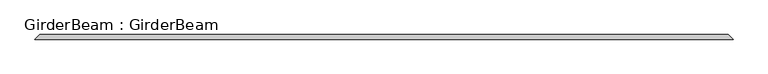
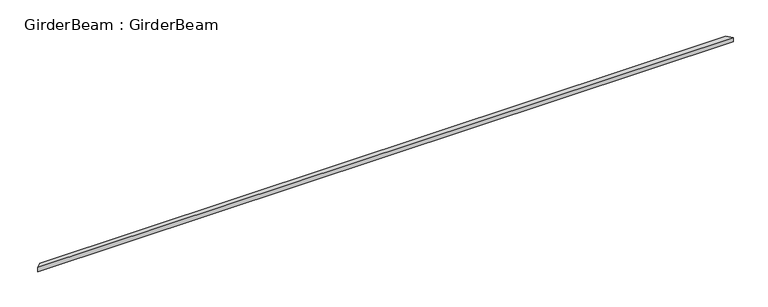
"""IFC4 building model written with IfcOpenShell, lengths in millimetres: beam geometry, GirderBeam : GirderBeam."""

from ifc_helpers import new_model, si_unit, frame, origin, place, context, project, spatial, polyline, outline, extrude, source, transform, mapped, element, save


def girderbeam_girderbeam_178b19dd(model_context):
    return source(origin(), model_context, "Body", "SweptSolid", [
        extrude(outline(polyline([(7415.0, 50.0), (7515.0, -50.0), (-7515.0, -50.0), (-7415.0, 50.0), (7415.0, 50.0)])), frame((0.0, 0.0, -221.2435565), z_axis=(0.0, 0.0, 1.0), x_axis=(1.0, 0.0, 0.0)), (0.0, 0.0, 1.0), 100.0),
    ])


if __name__ == "__main__":
    model = new_model("IFC4")
    model_context = context("Model", 3, world=origin())
    ifc_project = project(units=[si_unit("LENGTHUNIT", "METRE", prefix="MILLI")], contexts=[model_context])
    site = spatial("IfcSite", under=ifc_project)
    building = spatial("IfcBuilding", under=site)
    placement = place(None, origin())
    girderbeam_girderbeam_shape = girderbeam_girderbeam_178b19dd(model_context)
    element("IfcBeam", 1, ObjectType="GirderBeam : GirderBeam", at=placement, inside=building, context=model_context, shape_type="MappedRepresentation", body=[
        mapped(girderbeam_girderbeam_shape, transform((0.0, 0.0, 0.0), x_axis=(1.0, 0.0, 0.0), y_axis=(0.0, 1.0, 0.0), z_axis=(0.0, 0.0, 1.0))),
    ])
    save(model, "model.ifc")
